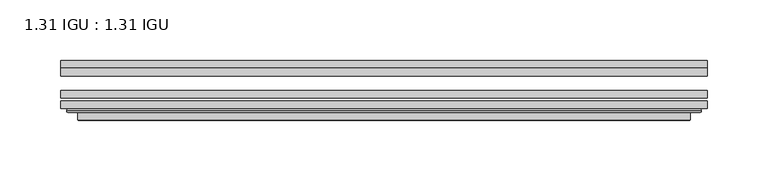
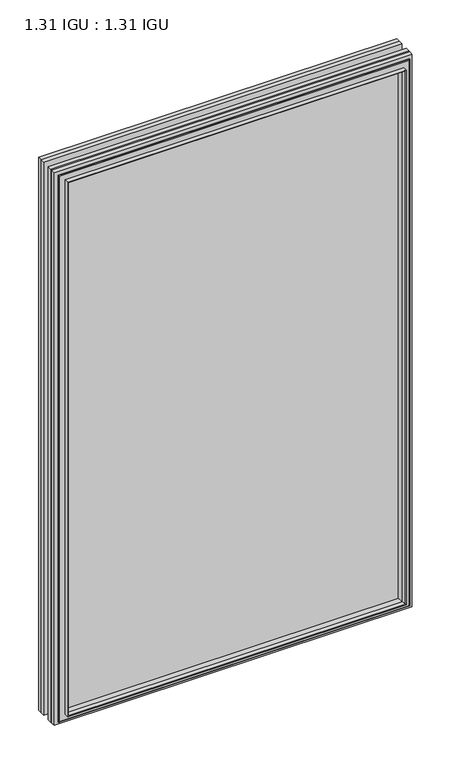
"""IFC4 building model written with IfcOpenShell, lengths in millimetres: plate geometry, 1.31 IGU : 1.31 IGU."""

from ifc_helpers import new_model, si_unit, frame, origin, place, context, project, spatial, polyline, ellipse_curve, outline, extrude, faceted_brep, source, transform, mapped, element, save
from ifc_brep_helpers import plane_surface, cylinder_surface, advanced_brep


def plate_1_31_igu_1_31_igu_9805e7c9(model_context):
    return source(origin(), model_context, "Body", "SolidModel", [
        extrude(outline(polyline([(266.714175, -66.4725937), (266.714175, -72.8225938), (-266.7, -72.8225938), (-266.7, -66.4725937), (266.714175, -66.4725937)])), frame((0.0, 0.0, -14.2875), z_axis=(0.0, 0.0, 1.0), x_axis=(1.0, 0.0, 0.0)), (0.0, 0.0, 1.0), 869.9537979),
        extrude(outline(polyline([(-266.7, -81.4585938), (-266.7, -75.1080887), (266.714175, -75.1080887), (266.714175, -81.4585938), (-266.7, -81.4585938)])), frame((0.0, 0.0, -14.2875), z_axis=(0.0, 0.0, 1.0), x_axis=(1.0, 0.0, 0.0)), (0.0, 0.0, 1.0), 869.9537979),
        extrude(outline(polyline([(266.714175, -48.1337937), (266.714175, -54.4837938), (-266.7, -54.4837938), (-266.7, -48.1337937), (266.714175, -48.1337937)])), frame((0.0, 0.0, -14.2875), z_axis=(0.0, 0.0, 1.0), x_axis=(1.0, 0.0, 0.0)), (0.0, 0.0, 1.0), 869.9537979),
        faceted_brep([(-252.4071902, -41.7837938, 841.3696902), (-251.5147559, -48.1337937, 840.4772559), (-251.5147559, -48.1337937, 0.8977441), (-252.4071902, -41.7837938, 0.0053098), (-266.7127, -48.1337937, 855.6752), (-266.7127, -41.7837938, 855.6752), (-266.7127, -41.7837938, -14.3002), (-266.7127, -48.1337937, -14.3002), (251.5147559, -48.1337937, 0.8977441), (252.4071902, -41.7837938, 0.0053098), (266.7127, -41.7837938, -14.3002), (266.7127, -48.1337937, -14.3002), (251.5147559, -48.1337937, 840.4772559), (252.4071902, -41.7837938, 841.3696902), (266.7127, -41.7837938, 855.6752), (266.7127, -48.1337937, 855.6752)], [[[0, 1, 2, 3]], [[4, 5, 6, 7]], [[3, 2, 8, 9]], [[7, 6, 10, 11]], [[9, 8, 12, 13]], [[11, 10, 14, 15]], [[7, 11, 15, 4], [1, 12, 8, 2]], [[13, 12, 1, 0]], [[5, 14, 10, 6], [3, 9, 13, 0]], [[15, 14, 5, 4]]]),
        advanced_brep(
        [(-260.8111349, -84.6335938, 849.7736349), (-261.8129244, -83.4482604, 850.7754244), (-261.8129244, -83.4482604, -9.4004244), (-260.8111349, -84.6335938, -8.3986349), (-252.4070784, -91.0948368, 841.3695784), (-252.4070784, -84.6335938, 841.3695784), (-252.4070784, -84.6335938, 0.0054216), (-252.4070784, -91.0948368, 0.0054216), (-251.4164217, -90.6958619, 840.3789217), (-251.4164217, -90.6958619, 0.9960783), (-250.3843939, -85.2986307, 839.3468939), (-250.3843939, -85.2986307, 2.0281061), (-245.4495621, -81.4585938, 834.4120621), (-245.4495621, -81.4585938, 6.9629379), (-259.458719, -81.4585938, 848.421219), (-259.458719, -81.4585938, -7.046219), (261.8129244, -83.4482604, -9.4004244), (260.8111349, -84.6335938, -8.3986349), (252.4070784, -84.6335938, 0.0054216), (252.4070784, -91.0948368, 0.0054216), (251.4164217, -90.6958619, 0.9960783), (250.3843939, -85.2986307, 2.0281061), (245.4495621, -81.4585938, 6.9629379), (259.458719, -81.4585938, -7.046219), (261.8129244, -83.4482604, 850.7754244), (260.8111349, -84.6335938, 849.7736349), (252.4070784, -84.6335938, 841.3695784), (252.4070784, -91.0948368, 841.3695784), (251.4164217, -90.6958619, 840.3789217), (250.3843939, -85.2986307, 839.3468939), (245.4495621, -81.4585938, 834.4120621), (259.458719, -81.4585938, 848.421219)],
        [
            (0, 1, ellipse_curve(frame((-260.8111349, -83.6175938, 849.7736349), z_axis=(-0.7071067811865475, 0.0, -0.7071067811865475), x_axis=(-0.7071067811865474, 0.0, 0.7071067811865476)), 1.436841, 1.016)),
            (1, 2),
            (2, 3, ellipse_curve(frame((-260.8111349, -83.6175938, -8.3986349), z_axis=(-0.7071067811865475, 0.0, 0.7071067811865475), x_axis=(0.7071067811865474, 0.0, 0.7071067811865476)), 1.436841, 1.016)),
            (3, 0),
            (4, 5),
            (5, 6),
            (6, 7),
            (7, 4),
            (8, 4, ellipse_curve(frame((-252.0401219, -90.5766015, 841.0026219), z_axis=(-0.7071067811865475, 0.0, -0.7071067811865475), x_axis=(-0.7071067811865474, 0.0, 0.7071067811865476)), 0.8980256, 0.635)),
            (7, 9, ellipse_curve(frame((-252.0401219, -90.5766015, 0.3723781), z_axis=(-0.7071067811865475, 0.0, 0.7071067811865475), x_axis=(0.7071067811865474, 0.0, 0.7071067811865476)), 0.8980256, 0.635)),
            (9, 8),
            (10, 8),
            (9, 11),
            (11, 10),
            (12, 10),
            (11, 13),
            (13, 12),
            (1, 14, ellipse_curve(frame((-259.458719, -83.8461938, 848.421219), z_axis=(-0.7071067811865475, 0.0, -0.7071067811865475), x_axis=(-0.7071067811865474, 0.0, 0.7071067811865476)), 3.3765763, 2.3876)),
            (14, 15),
            (15, 2, ellipse_curve(frame((-259.458719, -83.8461938, -7.046219), z_axis=(-0.7071067811865475, 0.0, 0.7071067811865475), x_axis=(0.7071067811865474, 0.0, 0.7071067811865476)), 3.3765763, 2.3876)),
            (2, 16),
            (16, 17, ellipse_curve(frame((260.8111349, -83.6175938, -8.3986349), z_axis=(-0.7071067811865475, 0.0, -0.7071067811865475), x_axis=(-0.7071067811865476, 0.0, 0.7071067811865474)), 1.436841, 1.016)),
            (17, 3),
            (6, 18),
            (18, 19),
            (19, 7),
            (19, 20, ellipse_curve(frame((252.0401219, -90.5766015, 0.3723781), z_axis=(-0.7071067811865475, 0.0, -0.7071067811865475), x_axis=(-0.7071067811865476, 0.0, 0.7071067811865474)), 0.8980256, 0.635)),
            (20, 9),
            (20, 21),
            (21, 11),
            (21, 22),
            (22, 13),
            (15, 23),
            (23, 16, ellipse_curve(frame((259.458719, -83.8461938, -7.046219), z_axis=(-0.7071067811865475, 0.0, -0.7071067811865475), x_axis=(-0.7071067811865476, 0.0, 0.7071067811865474)), 3.3765763, 2.3876)),
            (16, 24),
            (24, 25, ellipse_curve(frame((260.8111349, -83.6175938, 849.7736349), z_axis=(0.7071067811865475, 0.0, -0.7071067811865475), x_axis=(-0.7071067811865474, 0.0, -0.7071067811865476)), 1.436841, 1.016)),
            (25, 17),
            (18, 26),
            (26, 27),
            (27, 19),
            (27, 28, ellipse_curve(frame((252.0401219, -90.5766015, 841.0026219), z_axis=(0.7071067811865475, 0.0, -0.7071067811865475), x_axis=(-0.7071067811865474, 0.0, -0.7071067811865476)), 0.8980256, 0.635)),
            (28, 20),
            (28, 29),
            (29, 21),
            (29, 30),
            (30, 22),
            (23, 31),
            (31, 24, ellipse_curve(frame((259.458719, -83.8461938, 848.421219), z_axis=(0.7071067811865475, 0.0, -0.7071067811865475), x_axis=(-0.7071067811865474, 0.0, -0.7071067811865476)), 3.3765763, 2.3876)),
            (24, 1),
            (0, 25),
            (5, 26),
            (4, 27),
            (8, 28),
            (10, 29),
            (12, 30),
            (14, 31),
        ],
        [
            cylinder_surface(frame((-260.8111349, -83.6175938, 873.125), z_axis=(0.0, 0.0, 1.0), x_axis=(-1.0, 0.0, 0.0)), 1.016),
            plane_surface(frame((-252.4070784, -84.6335938, 841.3695784), z_axis=(-1.0, 0.0, 0.0), x_axis=(0.0, 0.0, -1.0))),
            cylinder_surface(frame((-252.0401219, -90.5766015, 873.125), z_axis=(0.0, 0.0, 1.0), x_axis=(-1.0, 0.0, 0.0)), 0.635),
            plane_surface(frame((-251.4164217, -90.6958619, 840.3789217), z_axis=(0.9822050625507717, -0.1878116479338675, 0.0), x_axis=(0.0, 0.0, -1.0))),
            plane_surface(frame((-250.3843939, -85.2986307, 839.3468939), z_axis=(0.6141233906514726, -0.7892100234124875, 0.0), x_axis=(0.0, 0.0, -1.0))),
            cylinder_surface(frame((-259.458719, -83.8461938, 873.125), z_axis=(0.0, 0.0, 1.0), x_axis=(-1.0, 0.0, 0.0)), 2.3876),
            cylinder_surface(frame((-284.1625, -83.6175938, -8.3986349), z_axis=(-1.0, 0.0, 0.0), x_axis=(0.0, 0.0, -1.0)), 1.016),
            plane_surface(frame((-252.4070784, -84.6335938, 0.0054216), z_axis=(0.0, 0.0, -1.0), x_axis=(1.0, 0.0, 0.0))),
            cylinder_surface(frame((-284.1625, -90.5766015, 0.3723781), z_axis=(-1.0, 0.0, 0.0), x_axis=(0.0, 0.0, -1.0)), 0.635),
            plane_surface(frame((-251.4164217, -90.6958619, 0.9960783), z_axis=(0.0, -0.18781164793386435, 0.9822050625507722), x_axis=(1.0, 0.0, 0.0))),
            plane_surface(frame((-250.3843939, -85.2986307, 2.0281061), z_axis=(0.0, -0.7892100234124855, 0.6141233906514751), x_axis=(1.0, 0.0, 0.0))),
            cylinder_surface(frame((-284.1625, -83.8461938, -7.046219), z_axis=(-1.0, 0.0, 0.0), x_axis=(0.0, 0.0, -1.0)), 2.3876),
            cylinder_surface(frame((260.8111349, -83.6175938, -31.75), z_axis=(0.0, 0.0, -1.0), x_axis=(1.0, 0.0, 0.0)), 1.016),
            plane_surface(frame((252.4070784, -84.6335938, 0.0054216), z_axis=(1.0, 0.0, 0.0), x_axis=(0.0, 0.0, 1.0))),
            cylinder_surface(frame((252.0401219, -90.5766015, -31.75), z_axis=(0.0, 0.0, -1.0), x_axis=(1.0, 0.0, 0.0)), 0.635),
            plane_surface(frame((251.4164217, -90.6958619, 0.9960783), z_axis=(-0.9822050625507728, -0.18781164793386118, 0.0), x_axis=(0.0, 0.0, 1.0))),
            plane_surface(frame((250.3843939, -85.2986307, 2.0281061), z_axis=(-0.6141233906514777, -0.7892100234124835, 0.0), x_axis=(0.0, 0.0, 1.0))),
            cylinder_surface(frame((259.458719, -83.8461938, -31.75), z_axis=(0.0, 0.0, -1.0), x_axis=(1.0, 0.0, 0.0)), 2.3876),
            cylinder_surface(frame((284.1625, -83.6175938, 849.7736349), z_axis=(1.0, 0.0, 0.0), x_axis=(0.0, 0.0, 1.0)), 1.016),
            plane_surface(frame((260.8111349, -84.6335938, 849.7736349), z_axis=(0.0, -1.0, 0.0), x_axis=(-1.0, 0.0, 0.0))),
            plane_surface(frame((252.4070784, -84.6335938, 841.3695784), z_axis=(0.0, 0.0, 1.0), x_axis=(-1.0, 0.0, 0.0))),
            cylinder_surface(frame((284.1625, -90.5766015, 841.0026219), z_axis=(1.0, 0.0, 0.0), x_axis=(0.0, 0.0, 1.0)), 0.635),
            plane_surface(frame((251.4164217, -90.6958619, 840.3789217), z_axis=(0.0, -0.18781164793386435, -0.9822050625507722), x_axis=(-1.0, 0.0, 0.0))),
            plane_surface(frame((250.3843939, -85.2986307, 839.3468939), z_axis=(0.0, -0.7892100234124855, -0.6141233906514751), x_axis=(-1.0, 0.0, 0.0))),
            plane_surface(frame((245.4495621, -81.4585938, 834.4120621), z_axis=(0.0, 1.0, 0.0), x_axis=(-1.0, 0.0, 0.0))),
            cylinder_surface(frame((284.1625, -83.8461938, 848.421219), z_axis=(1.0, 0.0, 0.0), x_axis=(0.0, 0.0, 1.0)), 2.3876),
        ],
        [
            (0, [[1, 2, 3, 4]]),
            (1, [[5, 6, 7, 8]]),
            (2, [[9, -8, 10, 11]]),
            (3, [[12, -11, 13, 14]]),
            (4, [[15, -14, 16, 17]]),
            (5, [[18, 19, 20, -2]]),
            (6, [[-3, 21, 22, 23]]),
            (7, [[-7, 24, 25, 26]]),
            (8, [[-10, -26, 27, 28]]),
            (9, [[-13, -28, 29, 30]]),
            (10, [[-16, -30, 31, 32]]),
            (11, [[-20, 33, 34, -21]]),
            (12, [[-22, 35, 36, 37]]),
            (13, [[-25, 38, 39, 40]]),
            (14, [[-27, -40, 41, 42]]),
            (15, [[-29, -42, 43, 44]]),
            (16, [[-31, -44, 45, 46]]),
            (17, [[-34, 47, 48, -35]]),
            (18, [[-36, 49, -1, 50]]),
            (19, [[-23, -37, -50, -4], [51, -38, -24, -6]]),
            (20, [[-39, -51, -5, 52]]),
            (21, [[-41, -52, -9, 53]]),
            (22, [[-43, -53, -12, 54]]),
            (23, [[-45, -54, -15, 55]]),
            (24, [[56, -47, -33, -19], [-32, -46, -55, -17]]),
            (25, [[-48, -56, -18, -49]]),
        ],
    ),
    ])


if __name__ == "__main__":
    model = new_model("IFC4")
    model_context = context("Model", 3, world=origin())
    ifc_project = project(units=[si_unit("LENGTHUNIT", "METRE", prefix="MILLI")], contexts=[model_context])
    site = spatial("IfcSite", under=ifc_project)
    building = spatial("IfcBuilding", under=site)
    placement = place(None, origin())
    plate_1_31_igu_1_31_igu_shape = plate_1_31_igu_1_31_igu_9805e7c9(model_context)
    element("IfcPlate", 1, ObjectType="1.31 IGU : 1.31 IGU", at=placement, inside=building, context=model_context, shape_type="MappedRepresentation", body=[
        mapped(plate_1_31_igu_1_31_igu_shape, transform((0.0, 0.0, 0.0), x_axis=(1.0, 0.0, 0.0), y_axis=(0.0, 1.0, 0.0), z_axis=(0.0, 0.0, 1.0))),
    ])
    save(model, "model.ifc")
